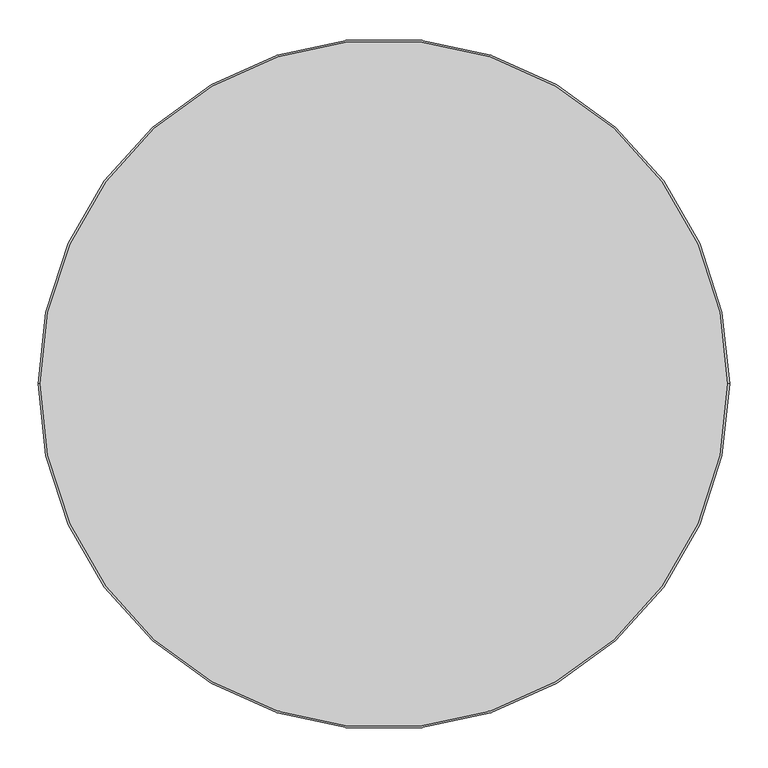
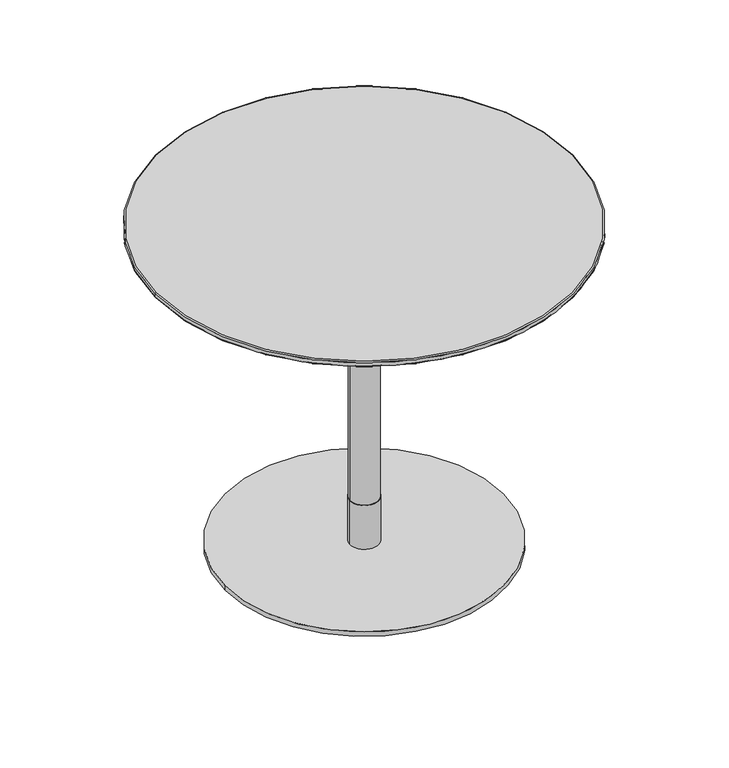
"""IFC4 building model written with IfcOpenShell, lengths in millimetres: furniture geometry."""

from ifc_helpers import new_model, si_unit, point, frame, origin, origin_with_axes, origin_2d, place, context, project, spatial, polyline, circle_curve, ellipse_curve, trimmed, segment, composite_curve, outline, extrude, source, transform, mapped, element, save
from ifc_brep_helpers import plane_surface, cylinder_surface, revolved_surface, advanced_brep


def furniture_b66afbcc(model_context):
    return source(origin(), model_context, "Body", "SolidModel", [
        advanced_brep(
        [(448.6840403, 0.0, 718.2400004), (450.0, 0.0, 720.1193857), (-450.0, 0.0, 720.1193857), (-448.6840403, 0.0, 718.2400004), (450.0, 0.0, 728.0), (448.0, 0.0, 730.0), (-448.0, 0.0, 730.0), (-450.0, 0.0, 728.0)],
        [
            (0, 1, circle_curve(frame((448.0, 0.0, 720.1193857), z_axis=(0.0, -1.0, 0.0), x_axis=(-1.0, 0.0, 0.0)), 2.0)),
            (1, 2, circle_curve(frame((0.0, 0.0, 720.1193857), z_axis=(0.0, 0.0, -1.0), x_axis=(-1.0, 0.0, 0.0)), 450.0)),
            (2, 3, circle_curve(frame((-448.0, 0.0, 720.1193857), z_axis=(0.0, -1.0, 0.0), x_axis=(1.0, 0.0, 0.0)), 2.0)),
            (3, 0, circle_curve(frame((0.0, 0.0, 718.2400004), z_axis=(0.0, 0.0, 1.0), x_axis=(-1.0, 0.0, 0.0)), 448.6840403)),
            (4, 5, circle_curve(frame((448.0, 0.0, 728.0), z_axis=(0.0, -1.0, 0.0), x_axis=(-1.0, 0.0, 0.0)), 2.0)),
            (5, 6, circle_curve(frame((0.0, 0.0, 730.0), z_axis=(0.0, 0.0, -1.0), x_axis=(-1.0, 0.0, 0.0)), 448.0)),
            (6, 7, circle_curve(frame((-448.0, 0.0, 728.0), z_axis=(0.0, -1.0, 0.0), x_axis=(1.0, 0.0, 0.0)), 2.0)),
            (7, 4, circle_curve(frame((0.0, 0.0, 728.0), z_axis=(0.0, 0.0, 1.0), x_axis=(-1.0, 0.0, 0.0)), 450.0)),
            (0, 3, circle_curve(frame((0.0, 0.0, 718.2400004), z_axis=(0.0, 0.0, 1.0), x_axis=(1.0, 0.0, 0.0)), 448.6840403)),
            (2, 1, circle_curve(frame((0.0, 0.0, 720.1193857), z_axis=(0.0, 0.0, -1.0), x_axis=(1.0, 0.0, 0.0)), 450.0)),
            (4, 7, circle_curve(frame((0.0, 0.0, 728.0), z_axis=(0.0, 0.0, 1.0), x_axis=(1.0, 0.0, 0.0)), 450.0)),
            (6, 5, circle_curve(frame((0.0, 0.0, 730.0), z_axis=(0.0, 0.0, -1.0), x_axis=(1.0, 0.0, 0.0)), 448.0)),
            (7, 2),
            (1, 4),
        ],
        [
            revolved_surface(trimmed(ellipse_curve(frame((-448.0, 0.0, 720.1193857), z_axis=(0.0, 1.0, 0.0), x_axis=(1.0, 0.0, 0.0)), 2.0, 2.0), [point((-448.6840403, 0.0, 718.2400004))], [point((-450.0, 0.0, 720.1193857))], True, "CARTESIAN"), (0.0, 0.0, 0.0), (0.0, 0.0, 1.0)),
            revolved_surface(trimmed(ellipse_curve(frame((-448.0, 0.0, 728.0), z_axis=(0.0, 1.0, 0.0), x_axis=(1.0, 0.0, 0.0)), 2.0, 2.0), [point((-450.0, 0.0, 728.0))], [point((-448.0, 0.0, 730.0))], True, "CARTESIAN"), (0.0, 0.0, 0.0), (0.0, 0.0, 1.0)),
            revolved_surface(trimmed(ellipse_curve(frame((448.0, 0.0, 720.1193857), z_axis=(0.0, -1.0, 0.0), x_axis=(-1.0, 0.0, 0.0)), 2.0, 2.0), [point((448.6840403, 0.0, 718.2400004))], [point((450.0, 0.0, 720.1193857))], True, "CARTESIAN"), (0.0, 0.0, 0.0), (0.0, 0.0, 1.0)),
            revolved_surface(trimmed(ellipse_curve(frame((448.0, 0.0, 728.0), z_axis=(0.0, -1.0, 0.0), x_axis=(-1.0, 0.0, 0.0)), 2.0, 2.0), [point((450.0, 0.0, 728.0))], [point((448.0, 0.0, 730.0))], True, "CARTESIAN"), (0.0, 0.0, 0.0), (0.0, 0.0, 1.0)),
            plane_surface(frame((450.0, 0.0, 730.0), z_axis=(0.0, 0.0, 1.0), x_axis=(0.0, 1.0, 0.0))),
            plane_surface(frame((450.0, 0.0, 718.2400004), z_axis=(0.0, 0.0, -1.0), x_axis=(0.0, -1.0, 0.0))),
            cylinder_surface(frame((0.0, 0.0, 718.2400004), z_axis=(0.0, 0.0, 1.0), x_axis=(1.0, 0.0, 0.0)), 450.0),
        ],
        [
            (0, [[1, 2, 3, 4]]),
            (1, [[5, 6, 7, 8]]),
            (2, [[-1, 9, -3, 10]]),
            (3, [[-5, 11, -7, 12]]),
            (4, [[-6, -12]]),
            (5, [[-4, -9]]),
            (6, [[13, -2, 14, -8]]),
            (6, [[-13, -11, -14, -10]]),
        ],
    ),
        advanced_brep(
        [(-448.7, 0.0, 718.2400004), (448.7, 0.0, 718.2400004), (-400.0, 0.0, 707.7932619), (400.0, 0.0, 707.7932619)],
        [
            (0, 1, circle_curve(frame((0.0, 0.0, 718.2400004), z_axis=(0.0, 0.0, 1.0), x_axis=(-1.0, 0.0, 0.0)), 448.7)),
            (1, 0, circle_curve(frame((0.0, 0.0, 718.2400004), z_axis=(0.0, 0.0, 1.0), x_axis=(1.0, 0.0, 0.0)), 448.7)),
            (2, 3, circle_curve(frame((0.0, 0.0, 707.7932619), z_axis=(0.0, 0.0, -1.0), x_axis=(1.0, 0.0, 0.0)), 400.0)),
            (3, 2, circle_curve(frame((0.0, 0.0, 707.7932619), z_axis=(0.0, 0.0, -1.0), x_axis=(-1.0, 0.0, 0.0)), 400.0)),
            (3, 1),
            (0, 2),
        ],
        [
            plane_surface(frame((0.0, 0.0, 718.2400004), z_axis=(0.0, 0.0, 1.0), x_axis=(0.0, -1.0, 0.0))),
            plane_surface(frame((0.0, 0.0, 707.7932619), z_axis=(0.0, 0.0, -1.0), x_axis=(0.0, -1.0, 0.0))),
            revolved_surface(polyline([(399.9999999111701, 0.0, 707.7932619), (448.7, 0.0, 718.2400004)]), (0.0, 0.0, 621.9884284), (0.0, 0.0, 1.0)),
            revolved_surface(polyline([(-399.9999999111701, 0.0, 707.7932619), (-448.7, 0.0, 718.2400004)]), (0.0, 0.0, 621.9884284), (0.0, 0.0, 1.0)),
        ],
        [
            (0, [[1, 2]]),
            (1, [[3, 4]]),
            (2, [[-4, 5, -1, 6]]),
            (3, [[-3, -6, -2, -5]]),
        ],
    ),
        extrude(outline(polyline([(175.0000945, 174.9403258), (175.0000945, -175.0598632), (-175.0000945, -175.0598632), (-175.0000945, 174.9403258), (175.0000945, 174.9403258)])), frame((0.0, 0.0, 702.7932592), z_axis=(0.0, 0.0, 1.0), x_axis=(1.0, 0.0, 0.0)), (0.0, 0.0, 1.0), 5.0000027),
        extrude(outline(composite_curve([segment(trimmed(circle_curve(origin_2d(), 31.0), [point((-31.0, 0.0))], [point((31.0, 0.0))], False, "CARTESIAN"), True, "CONTINUOUS"), segment(trimmed(circle_curve(origin_2d(), 31.0), [point((31.0, 0.0))], [point((-31.0, 0.0))], False, "CARTESIAN"), True, "CONTINUOUS")], self_intersect=False)), frame((0.0, 0.0, 602.7932663), z_axis=(0.0, 0.0, 1.0), x_axis=(1.0, 0.0, 0.0)), (0.0, 0.0, 1.0), 99.999993),
        extrude(outline(composite_curve([segment(trimmed(circle_curve(origin_2d(), 30.0), [point((-30.0, 0.0))], [point((30.0, 0.0))], False, "CARTESIAN"), True, "CONTINUOUS"), segment(trimmed(circle_curve(origin_2d(), 30.0), [point((30.0, 0.0))], [point((-30.0, 0.0))], False, "CARTESIAN"), True, "CONTINUOUS")], self_intersect=False)), frame((0.0, 0.0, 110.0016526), z_axis=(0.0, 0.0, 1.0), x_axis=(1.0, 0.0, 0.0)), (0.0, 0.0, 1.0), 492.7916137),
        extrude(outline(composite_curve([segment(trimmed(circle_curve(origin_2d(), 31.0), [point((-31.0, 0.0))], [point((31.0, 0.0))], False, "CARTESIAN"), True, "CONTINUOUS"), segment(trimmed(circle_curve(origin_2d(), 31.0), [point((31.0, 0.0))], [point((-31.0, 0.0))], False, "CARTESIAN"), True, "CONTINUOUS")], self_intersect=False)), frame((0.0, 0.0, 10.0000044), z_axis=(0.0, 0.0, 1.0), x_axis=(1.0, 0.0, 0.0)), (0.0, 0.0, 1.0), 100.0016481),
        extrude(outline(composite_curve([segment(trimmed(circle_curve(origin_2d(), 300.0), [point((-300.0, 0.0))], [point((300.0, 0.0))], False, "CARTESIAN"), True, "CONTINUOUS"), segment(trimmed(circle_curve(origin_2d(), 300.0), [point((300.0, 0.0))], [point((-300.0, 0.0))], False, "CARTESIAN"), True, "CONTINUOUS")], self_intersect=False)), origin_with_axes(), (0.0, 0.0, 1.0), 10.0000044),
    ])


if __name__ == "__main__":
    model = new_model("IFC4")
    model_context = context("Model", 3, world=origin())
    ifc_project = project(units=[si_unit("LENGTHUNIT", "METRE", prefix="MILLI")], contexts=[model_context])
    site = spatial("IfcSite", under=ifc_project)
    building = spatial("IfcBuilding", under=site)
    placement = place(None, origin())
    furniture_shape = furniture_b66afbcc(model_context)
    element("IfcFurniture", 1, at=placement, inside=building, context=model_context, shape_type="MappedRepresentation", body=[
        mapped(furniture_shape, transform((0.0, 0.0, 0.0), x_axis=(1.0, 0.0, 0.0), y_axis=(0.0, 1.0, 0.0), z_axis=(0.0, 0.0, 1.0))),
    ])
    save(model, "model.ifc")
